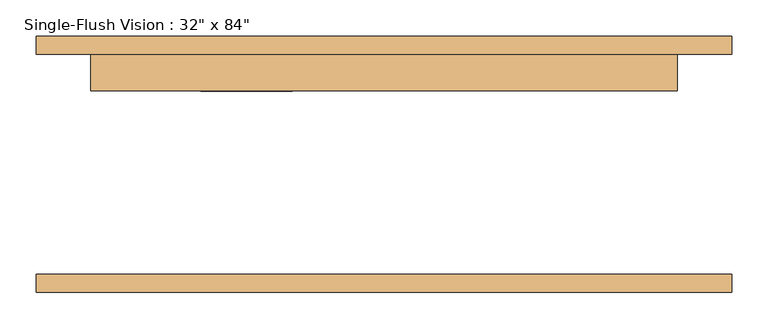
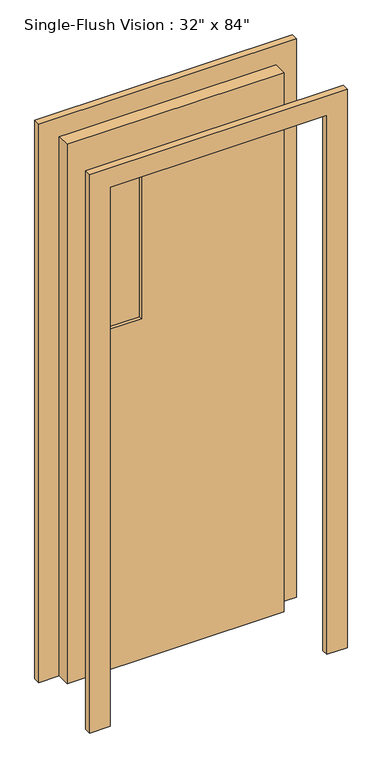
"""IFC4 building model written with IfcOpenShell, lengths in millimetres: door geometry."""

import ifcopenshell
import ifcopenshell.guid

model = None  # the IFC model being written
_history = None  # IfcOwnerHistory: only IFC2X3 demands one
_inside = {}  # id of a spatial element -> (the spatial element, [elements in it])
_under = {}  # id of a project, library or spatial element -> (it, [spatial elements below it])
_declared = {}  # id of a project -> (the project, [libraries it declares])
_typed = {}  # id of a type object -> (the type object, [elements of that type])
_made_of = {}  # id of a material, layer set ... -> (it, [elements and type objects made of it])


def new_model(schema):
    """Start an empty IFC model of exactly this schema.

    Asked for "IFC4X3", IfcOpenShell would pick the latest addendum, in which some entities
    have other attributes; the version numbers below select the first issue.
    IFC2X3 requires an IfcOwnerHistory on every rooted entity: one is made here for all.
    """
    global model, _history
    if schema == "IFC4X3":
        model = ifcopenshell.file(schema_version=(4, 3, 0, 0))
    else:
        model = ifcopenshell.file(schema=schema)
    _inside.clear()
    _under.clear()
    _declared.clear()
    _typed.clear()
    _made_of.clear()
    _history = None
    if model.schema == "IFC2X3":
        org = make("IfcOrganization", Name="unknown")
        user = make(
            "IfcPersonAndOrganization",
            ThePerson=make("IfcPerson", FamilyName="unknown"),
            TheOrganization=org,
        )
        app = make(
            "IfcApplication",
            ApplicationDeveloper=org,
            Version="unknown",
            ApplicationFullName="unknown",
            ApplicationIdentifier="unknown",
        )
        _history = make(
            "IfcOwnerHistory",
            OwningUser=user,
            OwningApplication=app,
            ChangeAction="ADDED",
            CreationDate=0,
        )
    return model


def make(cls, **values):
    """One entity of the class cls with the attributes given. An attribute that is None is left unset."""
    return model.create_entity(
        cls, **{name: value for name, value in values.items() if value is not None}
    )


def rooted(cls, **values):
    """An entity with a GlobalId (a new one), such as an element, a storey or a relation."""
    return make(cls, GlobalId=ifcopenshell.guid.new(), OwnerHistory=_history, **values)


def si_unit(unit_type, name, prefix=None):
    """IfcSIUnit, for example si_unit("LENGTHUNIT", "METRE", prefix="MILLI")."""
    return make("IfcSIUnit", UnitType=unit_type, Prefix=prefix, Name=name)


def assignment(units):
    """IfcUnitAssignment: the units of a project."""
    return None if units is None else make("IfcUnitAssignment", Units=units)


def point(xyz):
    """IfcCartesianPoint."""
    return None if xyz is None else make("IfcCartesianPoint", Coordinates=xyz)


def direction(xyz):
    """IfcDirection."""
    return None if xyz is None else make("IfcDirection", DirectionRatios=xyz)


def frame(location, z_axis=None, x_axis=None):
    """IfcAxis2Placement3D, a coordinate frame: its origin and axes. An axis left out is left unset."""
    return make(
        "IfcAxis2Placement3D",
        Location=point(location),
        Axis=direction(z_axis),
        RefDirection=direction(x_axis),
    )


def origin():
    """The frame at (0, 0, 0) with its axes left unset."""
    return frame((0.0, 0.0, 0.0))


def place(relative_to, where):
    """IfcLocalPlacement: puts the frame where relative to a parent placement (None: the world)."""
    return make(
        "IfcLocalPlacement", PlacementRelTo=relative_to, RelativePlacement=where
    )


def context(
    kind, dimensions, precision=None, world=None, true_north=None, identifier=None
):
    """IfcGeometricRepresentationContext, for example the 3D "Model" context."""
    return make(
        "IfcGeometricRepresentationContext",
        ContextIdentifier=identifier,
        ContextType=kind,
        CoordinateSpaceDimension=dimensions,
        Precision=precision,
        WorldCoordinateSystem=world,
        TrueNorth=true_north,
    )


def project(units=None, contexts=None):
    """IfcProject with its units and contexts."""
    return rooted(
        "IfcProject",
        Name="project",
        RepresentationContexts=contexts,
        UnitsInContext=assignment(units),
    )


def spatial(cls, under=None, at=None, **own):
    """A site, building, storey or space (cls), placed at a placement, below another one or the project."""
    s = rooted(cls, ObjectPlacement=at, **own)
    if under is not None:
        _under.setdefault(under.id(), (under, []))[1].append(s)
    return s


def polyline(points):
    """IfcPolyline through the points."""
    return make("IfcPolyline", Points=[point(p) for p in points])


def outline(outer, holes=None, kind="AREA"):
    """IfcArbitraryClosedProfileDef: a profile drawn as a closed curve; with holes, ...WithVoids."""
    if holes is None:
        return make("IfcArbitraryClosedProfileDef", ProfileType=kind, OuterCurve=outer)
    return make(
        "IfcArbitraryProfileDefWithVoids",
        ProfileType=kind,
        OuterCurve=outer,
        InnerCurves=holes,
    )


def extrude(swept, where, along, depth):
    """IfcExtrudedAreaSolid: the profile swept, set in the frame where, extruded along a direction by depth."""
    return make(
        "IfcExtrudedAreaSolid",
        SweptArea=swept,
        Position=where,
        ExtrudedDirection=direction(along),
        Depth=depth,
    )


def shape(context_of_items, identifier, shape_type, items):
    """IfcShapeRepresentation: the items that make up one representation, for example the "Body"."""
    return make(
        "IfcShapeRepresentation",
        ContextOfItems=context_of_items,
        RepresentationIdentifier=identifier,
        RepresentationType=shape_type,
        Items=items,
    )


def source(mapping_origin, context_of_items, identifier, shape_type, items):
    """IfcRepresentationMap: a shape defined once, which mapped items show again and again."""
    return make(
        "IfcRepresentationMap",
        MappingOrigin=mapping_origin,
        MappedRepresentation=shape(context_of_items, identifier, shape_type, items),
    )


def transform(
    local_origin,
    x_axis=None,
    y_axis=None,
    z_axis=None,
    scale=None,
    scale2=None,
    scale3=None,
    uniform=True,
):
    """IfcCartesianTransformationOperator3D, or its non-uniform kind. x_axis, y_axis, z_axis: its Axis1, 2, 3."""
    if uniform:
        return make(
            "IfcCartesianTransformationOperator3D",
            Axis1=direction(x_axis),
            Axis2=direction(y_axis),
            LocalOrigin=point(local_origin),
            Scale=scale,
            Axis3=direction(z_axis),
        )
    return make(
        "IfcCartesianTransformationOperator3DnonUniform",
        Axis1=direction(x_axis),
        Axis2=direction(y_axis),
        LocalOrigin=point(local_origin),
        Scale=scale,
        Axis3=direction(z_axis),
        Scale2=scale2,
        Scale3=scale3,
    )


def mapped(mapping_source, mapping_target):
    """IfcMappedItem: shows the shape of a source again, moved by a transform."""
    return make(
        "IfcMappedItem", MappingSource=mapping_source, MappingTarget=mapping_target
    )


def made_of(thing, what):
    """Note that an element or type object is made of a material, layer set ...; save() writes the relation."""
    if what is not None:
        _made_of.setdefault(what.id(), (what, []))[1].append(thing)
    return thing


def element(
    cls,
    number,
    at=None,
    inside=None,
    cuts=None,
    type_object=None,
    material=None,
    context=None,
    identifier="Body",
    shape_type=None,
    held_by="IfcProductDefinitionShape",
    body=None,
    shapes=None,
    **own,
):
    """One element of the class cls, such as IfcWall. Its Tag is "e" and its number.

    at: its placement. inside: the storey or other place that contains it. cuts: it is an
    opening in that element (IfcRelVoidsElement). A single representation is given by context,
    identifier, shape_type and body (its items); several are given by shapes. held_by: the class
    of the entity that holds the representations. save() writes the other relations.
    """
    e = rooted(cls, Tag="e%d" % number, ObjectPlacement=at, **own)
    if body is not None:
        shapes = [shape(context, identifier, shape_type, body)]
    if shapes is not None:
        e.Representation = make(held_by, Representations=shapes)
    if inside is not None:
        _inside.setdefault(inside.id(), (inside, []))[1].append(e)
    if cuts is not None:
        rooted(
            "IfcRelVoidsElement", RelatingBuildingElement=cuts, RelatedOpeningElement=e
        )
    if type_object is not None:
        _typed.setdefault(type_object.id(), (type_object, []))[1].append(e)
    return made_of(e, material)


def aggregate(whole, parts):
    """IfcRelAggregates: a whole, such as a stair, and the parts it consists of."""
    return rooted("IfcRelAggregates", RelatingObject=whole, RelatedObjects=parts)


def save(model, path):
    """Write the relations noted so far, then the file.

    IfcRelAggregates (storeys below a building ...), IfcRelContainedInSpatialStructure (elements
    in a storey), IfcRelDefinesByType, IfcRelAssociatesMaterial and IfcRelDeclares: one each for
    every whole, place, type object, material and project.
    """
    for whole, parts in _under.values():
        aggregate(whole, parts)
    for where, things in _inside.values():
        rooted(
            "IfcRelContainedInSpatialStructure",
            RelatedElements=things,
            RelatingStructure=where,
        )
    for kind, things in _typed.values():
        rooted("IfcRelDefinesByType", RelatedObjects=things, RelatingType=kind)
    for what, things in _made_of.values():
        rooted("IfcRelAssociatesMaterial", RelatedObjects=things, RelatingMaterial=what)
    for by, libraries in _declared.values():
        rooted("IfcRelDeclares", RelatingContext=by, RelatedDefinitions=libraries)
    model.write(path)


def door_92427998(model_context):
    return source(origin(), model_context, "Body", "SweptSolid", [
        extrude(outline(polyline([(2209.8, -482.6), (0.0, -482.6), (0.0, -406.4), (2133.6, -406.4), (2133.6, 406.4), (0.0, 406.4), (0.0, 482.6), (2209.8, 482.6), (2209.8, -482.6)])), frame((0.0, 152.4, 0.0), z_axis=(0.0, 1.0, 0.0), x_axis=(0.0, 0.0, 1.0)), (0.0, 0.0, 1.0), 25.4),
        extrude(outline(polyline([(2133.6, 406.4), (0.0, 406.4), (0.0, 482.6), (2209.8, 482.6), (2209.8, -482.6), (0.0, -482.6), (0.0, -406.4), (2133.6, -406.4), (2133.6, 406.4)])), frame((0.0, -177.8, 0.0), z_axis=(0.0, 1.0, 0.0), x_axis=(0.0, 0.0, 1.0)), (0.0, 0.0, 1.0), 25.4),
        extrude(outline(polyline([(-127.0, 114.3), (-254.0, 114.3), (-254.0, 120.65), (-127.0, 120.65), (-127.0, 114.3)])), frame((0.0, 0.0, 1346.2), z_axis=(0.0, 0.0, 1.0), x_axis=(1.0, 0.0, 0.0)), (0.0, 0.0, 1.0), 635.0),
        extrude(outline(polyline([(-127.0, 133.35), (-254.0, 133.35), (-254.0, 139.7), (-127.0, 139.7), (-127.0, 133.35)])), frame((0.0, 0.0, 1346.2), z_axis=(0.0, 0.0, 1.0), x_axis=(1.0, 0.0, 0.0)), (0.0, 0.0, 1.0), 635.0),
        extrude(outline(polyline([(2133.6, -406.4), (0.0, -406.4), (0.0, 406.4), (2133.6, 406.4), (2133.6, -406.4)]), holes=[polyline([(1981.2, -254.0), (1981.2, -127.0), (1346.2, -127.0), (1346.2, -254.0), (1981.2, -254.0)])]), frame((0.0, 101.6, 0.0), z_axis=(0.0, 1.0, 0.0), x_axis=(0.0, 0.0, 1.0)), (0.0, 0.0, 1.0), 50.8),
    ])


if __name__ == "__main__":
    model = new_model("IFC4")
    model_context = context("Model", 3, world=origin())
    ifc_project = project(units=[si_unit("LENGTHUNIT", "METRE", prefix="MILLI")], contexts=[model_context])
    site = spatial("IfcSite", under=ifc_project)
    building = spatial("IfcBuilding", under=site)
    placement = place(None, origin())
    door_shape = door_92427998(model_context)
    element("IfcDoor", 1, ObjectType="Single-Flush Vision : 32\" x 84\"", at=placement, inside=building, context=model_context, shape_type="MappedRepresentation", body=[
        mapped(door_shape, transform((0.0, 0.0, 0.0), x_axis=(1.0, 0.0, 0.0), y_axis=(0.0, 1.0, 0.0), z_axis=(0.0, 0.0, 1.0))),
    ])
    save(model, "model.ifc")
